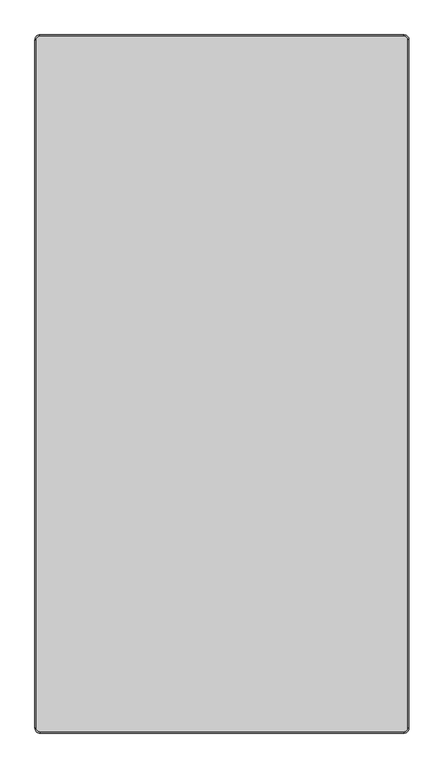
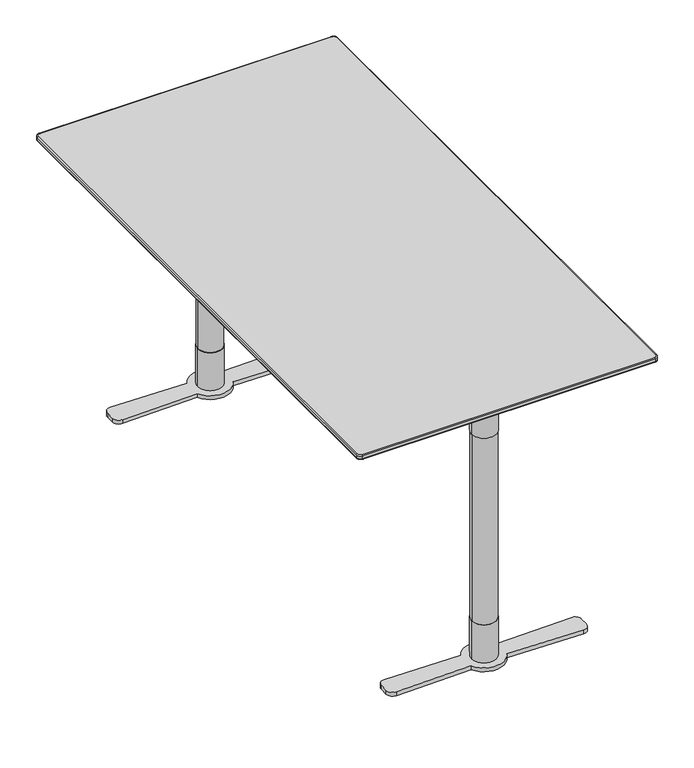
"""IFC4 building model written with IfcOpenShell, lengths in millimetres: furniture geometry."""

from ifc_helpers import new_model, si_unit, point, frame, frame_2d, origin, origin_with_axes, place, context, project, spatial, polyline, circle_curve, ellipse_curve, trimmed, segment, composite_curve, outline, extrude, source, transform, mapped, element, save
from ifc_brep_helpers import plane_surface, cylinder_surface, revolved_surface, spline_surface, advanced_brep


def furniture_24dc942a(model_context):
    return source(origin(), model_context, "Body", "SolidModel", [
        advanced_brep(
        [(-365.0, -698.6840403, 718.2400004), (-365.0, -700.0, 720.1193857), (-375.0, -690.0, 720.1193857), (-373.6840403, -690.0, 718.2400004), (-365.0, -700.0, 728.0), (-365.0, -698.0, 730.0), (-373.0, -690.0, 730.0), (-375.0, -690.0, 728.0), (365.0, -698.6840403, 718.2400004), (365.0, -700.0, 720.1193857), (365.0, -700.0, 728.0), (365.0, -698.0, 730.0), (373.6840403, -690.0, 718.2400004), (375.0, -690.0, 720.1193857), (375.0, -690.0, 728.0), (373.0, -690.0, 730.0), (373.6840403, 690.0, 718.2400004), (375.0, 690.0, 720.1193857), (375.0, 690.0, 728.0), (373.0, 690.0, 730.0), (365.0, 698.6840403, 718.2400004), (365.0, 700.0, 720.1193857), (365.0, 700.0, 728.0), (365.0, 698.0, 730.0), (-365.0, 698.6840403, 718.2400004), (-365.0, 700.0, 720.1193857), (-365.0, 700.0, 728.0), (-365.0, 698.0, 730.0), (-373.6840403, 690.0, 718.2400004), (-375.0, 690.0, 720.1193857), (-375.0, 690.0, 728.0), (-373.0, 690.0, 730.0)],
        [
            (0, 1, circle_curve(frame((-365.0, -698.0, 720.1193857), z_axis=(-1.0, 0.0, 0.0), x_axis=(0.0, 1.0, 0.0)), 2.0)),
            (1, 2, circle_curve(frame((-365.0, -690.0, 720.1193857), z_axis=(0.0, 0.0, -1.0), x_axis=(-1.0, 0.0, 0.0)), 10.0)),
            (2, 3, circle_curve(frame((-373.0, -690.0, 720.1193857), z_axis=(0.0, -1.0, 0.0), x_axis=(1.0, 0.0, 0.0)), 2.0)),
            (3, 0, circle_curve(frame((-365.0, -690.0, 718.2400004), z_axis=(0.0, 0.0, 1.0), x_axis=(-1.0, 0.0, 0.0)), 8.6840403)),
            (4, 5, circle_curve(frame((-365.0, -698.0, 728.0), z_axis=(-1.0, 0.0, 0.0), x_axis=(0.0, 1.0, 0.0)), 2.0)),
            (5, 6, circle_curve(frame((-365.0, -690.0, 730.0), z_axis=(0.0, 0.0, -1.0), x_axis=(-1.0, 0.0, 0.0)), 8.0)),
            (6, 7, circle_curve(frame((-373.0, -690.0, 728.0), z_axis=(0.0, -1.0, 0.0), x_axis=(1.0, 0.0, 0.0)), 2.0)),
            (7, 4, circle_curve(frame((-365.0, -690.0, 728.0), z_axis=(0.0, 0.0, 1.0), x_axis=(-1.0, 0.0, 0.0)), 10.0)),
            (0, 8),
            (8, 9, circle_curve(frame((365.0, -698.0, 720.1193857), z_axis=(-1.0, 0.0, 0.0), x_axis=(0.0, 1.0, 0.0)), 2.0)),
            (9, 1),
            (4, 10),
            (10, 11, circle_curve(frame((365.0, -698.0, 728.0), z_axis=(-1.0, 0.0, 0.0), x_axis=(0.0, 1.0, 0.0)), 2.0)),
            (11, 5),
            (8, 12, circle_curve(frame((365.0, -690.0, 718.2400004), z_axis=(0.0, 0.0, 1.0), x_axis=(0.0, -1.0, 0.0)), 8.6840403)),
            (12, 13, circle_curve(frame((373.0, -690.0, 720.1193857), z_axis=(0.0, -1.0, 0.0), x_axis=(-1.0, 0.0, 0.0)), 2.0)),
            (13, 9, circle_curve(frame((365.0, -690.0, 720.1193857), z_axis=(0.0, 0.0, -1.0), x_axis=(0.0, -1.0, 0.0)), 10.0)),
            (10, 14, circle_curve(frame((365.0, -690.0, 728.0), z_axis=(0.0, 0.0, 1.0), x_axis=(0.0, -1.0, 0.0)), 10.0)),
            (14, 15, circle_curve(frame((373.0, -690.0, 728.0), z_axis=(0.0, -1.0, 0.0), x_axis=(-1.0, 0.0, 0.0)), 2.0)),
            (15, 11, circle_curve(frame((365.0, -690.0, 730.0), z_axis=(0.0, 0.0, -1.0), x_axis=(0.0, -1.0, 0.0)), 8.0)),
            (12, 16),
            (16, 17, circle_curve(frame((373.0, 690.0, 720.1193857), z_axis=(0.0, -1.0, 0.0), x_axis=(-1.0, 0.0, 0.0)), 2.0)),
            (17, 13),
            (14, 18),
            (18, 19, circle_curve(frame((373.0, 690.0, 728.0), z_axis=(0.0, -1.0, 0.0), x_axis=(-1.0, 0.0, 0.0)), 2.0)),
            (19, 15),
            (16, 20, circle_curve(frame((365.0, 690.0, 718.2400004), z_axis=(0.0, 0.0, 1.0), x_axis=(1.0, 0.0, 0.0)), 8.6840403)),
            (20, 21, circle_curve(frame((365.0, 698.0, 720.1193857), z_axis=(1.0, 0.0, 0.0), x_axis=(0.0, -1.0, 0.0)), 2.0)),
            (21, 17, circle_curve(frame((365.0, 690.0, 720.1193857), z_axis=(0.0, 0.0, -1.0), x_axis=(1.0, 0.0, 0.0)), 10.0)),
            (18, 22, circle_curve(frame((365.0, 690.0, 728.0), z_axis=(0.0, 0.0, 1.0), x_axis=(1.0, 0.0, 0.0)), 10.0)),
            (22, 23, circle_curve(frame((365.0, 698.0, 728.0), z_axis=(1.0, 0.0, 0.0), x_axis=(0.0, -1.0, 0.0)), 2.0)),
            (23, 19, circle_curve(frame((365.0, 690.0, 730.0), z_axis=(0.0, 0.0, -1.0), x_axis=(1.0, 0.0, 0.0)), 8.0)),
            (20, 24),
            (24, 25, circle_curve(frame((-365.0, 698.0, 720.1193857), z_axis=(1.0, 0.0, 0.0), x_axis=(0.0, -1.0, 0.0)), 2.0)),
            (25, 21),
            (22, 26),
            (26, 27, circle_curve(frame((-365.0, 698.0, 728.0), z_axis=(1.0, 0.0, 0.0), x_axis=(0.0, -1.0, 0.0)), 2.0)),
            (27, 23),
            (24, 28, circle_curve(frame((-365.0, 690.0, 718.2400004), z_axis=(0.0, 0.0, 1.0), x_axis=(0.0, 1.0, 0.0)), 8.6840403)),
            (28, 29, circle_curve(frame((-373.0, 690.0, 720.1193857), z_axis=(0.0, 1.0, 0.0), x_axis=(1.0, 0.0, 0.0)), 2.0)),
            (29, 25, circle_curve(frame((-365.0, 690.0, 720.1193857), z_axis=(0.0, 0.0, -1.0), x_axis=(0.0, 1.0, 0.0)), 10.0)),
            (26, 30, circle_curve(frame((-365.0, 690.0, 728.0), z_axis=(0.0, 0.0, 1.0), x_axis=(0.0, 1.0, 0.0)), 10.0)),
            (30, 31, circle_curve(frame((-373.0, 690.0, 728.0), z_axis=(0.0, 1.0, 0.0), x_axis=(1.0, 0.0, 0.0)), 2.0)),
            (31, 27, circle_curve(frame((-365.0, 690.0, 730.0), z_axis=(0.0, 0.0, -1.0), x_axis=(0.0, 1.0, 0.0)), 8.0)),
            (2, 29),
            (28, 3),
            (6, 31),
            (30, 7),
            (22, 21),
            (25, 26),
            (30, 29),
            (2, 7),
            (4, 1),
            (9, 10),
            (14, 13),
            (17, 18),
        ],
        [
            revolved_surface(trimmed(ellipse_curve(frame((-373.0, -690.0, 720.1193857), z_axis=(0.0, 1.0, 0.0), x_axis=(1.0, 0.0, 0.0)), 2.0, 2.0), [point((-373.6840403, -690.0, 718.2400004))], [point((-375.0, -690.0, 720.1193857))], True, "CARTESIAN"), (-365.0, -690.0, 0.0), (0.0, 0.0, 1.0)),
            revolved_surface(trimmed(ellipse_curve(frame((-373.0, -690.0, 728.0), z_axis=(0.0, 1.0, 0.0), x_axis=(1.0, 0.0, 0.0)), 2.0, 2.0), [point((-375.0, -690.0, 728.0))], [point((-373.0, -690.0, 730.0))], True, "CARTESIAN"), (-365.0, -690.0, 0.0), (0.0, 0.0, 1.0)),
            cylinder_surface(frame((-365.0, -698.0, 720.1193857), z_axis=(1.0, 0.0, 0.0), x_axis=(0.0, 1.0, 0.0)), 2.0),
            cylinder_surface(frame((-365.0, -698.0, 728.0), z_axis=(1.0, 0.0, 0.0), x_axis=(0.0, 1.0, 0.0)), 2.0),
            revolved_surface(trimmed(ellipse_curve(frame((365.0, -698.0, 720.1193857), z_axis=(-1.0, 0.0, 0.0), x_axis=(0.0, 1.0, 0.0)), 2.0, 2.0), [point((365.0, -698.6840403, 718.2400004))], [point((365.0, -700.0, 720.1193857))], True, "CARTESIAN"), (365.0, -690.0, 0.0), (0.0, 0.0, 1.0)),
            revolved_surface(trimmed(ellipse_curve(frame((365.0, -698.0, 728.0), z_axis=(-1.0, 0.0, 0.0), x_axis=(0.0, 1.0, 0.0)), 2.0, 2.0), [point((365.0, -700.0, 728.0))], [point((365.0, -698.0, 730.0))], True, "CARTESIAN"), (365.0, -690.0, 0.0), (0.0, 0.0, 1.0)),
            cylinder_surface(frame((373.0, -690.0, 720.1193857), z_axis=(0.0, 1.0, 0.0), x_axis=(-1.0, 0.0, 0.0)), 2.0),
            cylinder_surface(frame((373.0, -690.0, 728.0), z_axis=(0.0, 1.0, 0.0), x_axis=(-1.0, 0.0, 0.0)), 2.0),
            revolved_surface(trimmed(ellipse_curve(frame((373.0, 690.0, 720.1193857), z_axis=(0.0, -1.0, 0.0), x_axis=(-1.0, 0.0, 0.0)), 2.0, 2.0), [point((373.6840403, 690.0, 718.2400004))], [point((375.0, 690.0, 720.1193857))], True, "CARTESIAN"), (365.0, 690.0, 0.0), (0.0, 0.0, 1.0)),
            revolved_surface(trimmed(ellipse_curve(frame((373.0, 690.0, 728.0), z_axis=(0.0, -1.0, 0.0), x_axis=(-1.0, 0.0, 0.0)), 2.0, 2.0), [point((375.0, 690.0, 728.0))], [point((373.0, 690.0, 730.0))], True, "CARTESIAN"), (365.0, 690.0, 0.0), (0.0, 0.0, 1.0)),
            cylinder_surface(frame((365.0, 698.0, 720.1193857), z_axis=(-1.0, 0.0, 0.0), x_axis=(0.0, -1.0, 0.0)), 2.0),
            cylinder_surface(frame((365.0, 698.0, 728.0), z_axis=(-1.0, 0.0, 0.0), x_axis=(0.0, -1.0, 0.0)), 2.0),
            revolved_surface(trimmed(ellipse_curve(frame((-365.0, 698.0, 720.1193857), z_axis=(1.0, 0.0, 0.0), x_axis=(0.0, -1.0, 0.0)), 2.0, 2.0), [point((-365.0, 698.6840403, 718.2400004))], [point((-365.0, 700.0, 720.1193857))], True, "CARTESIAN"), (-365.0, 690.0, 0.0), (0.0, 0.0, 1.0)),
            revolved_surface(trimmed(ellipse_curve(frame((-365.0, 698.0, 728.0), z_axis=(1.0, 0.0, 0.0), x_axis=(0.0, -1.0, 0.0)), 2.0, 2.0), [point((-365.0, 700.0, 728.0))], [point((-365.0, 698.0, 730.0))], True, "CARTESIAN"), (-365.0, 690.0, 0.0), (0.0, 0.0, 1.0)),
            cylinder_surface(frame((-373.0, 690.0, 720.1193857), z_axis=(0.0, -1.0, 0.0), x_axis=(1.0, 0.0, 0.0)), 2.0),
            cylinder_surface(frame((-373.0, 690.0, 728.0), z_axis=(0.0, -1.0, 0.0), x_axis=(1.0, 0.0, 0.0)), 2.0),
            plane_surface(frame((-305.0, 700.0, 730.0), z_axis=(0.0, 0.0, 1.0), x_axis=(-1.0, 0.0, 0.0))),
            plane_surface(frame((-305.0, 700.0, 718.2400004), z_axis=(0.0, 0.0, -1.0), x_axis=(1.0, 0.0, 0.0))),
            plane_surface(frame((365.0, 700.0, 730.0), z_axis=(0.0, 1.0, 0.0), x_axis=(0.0, 0.0, -1.0))),
            plane_surface(frame((-375.0, 690.0, 730.0), z_axis=(-1.0, 0.0, 0.0), x_axis=(0.0, 0.0, -1.0))),
            plane_surface(frame((-365.0, -700.0, 730.0), z_axis=(0.0, -1.0, 0.0), x_axis=(0.0, 0.0, -1.0))),
            plane_surface(frame((375.0, -690.0, 730.0), z_axis=(1.0, 0.0, 0.0), x_axis=(0.0, 0.0, -1.0))),
            cylinder_surface(frame((-365.0, 690.0, 718.2400004), z_axis=(0.0, 0.0, 1.0), x_axis=(1.0, 0.0, 0.0)), 10.0),
            cylinder_surface(frame((-365.0, -690.0, 718.2400004), z_axis=(0.0, 0.0, 1.0), x_axis=(1.0, 0.0, 0.0)), 10.0),
            cylinder_surface(frame((365.0, -690.0, 718.2400004), z_axis=(0.0, 0.0, 1.0), x_axis=(1.0, 0.0, 0.0)), 10.0),
            cylinder_surface(frame((365.0, 690.0, 718.2400004), z_axis=(0.0, 0.0, 1.0), x_axis=(1.0, 0.0, 0.0)), 10.0),
        ],
        [
            (0, [[1, 2, 3, 4]]),
            (1, [[5, 6, 7, 8]]),
            (2, [[-1, 9, 10, 11]]),
            (3, [[-5, 12, 13, 14]]),
            (4, [[-10, 15, 16, 17]]),
            (5, [[-13, 18, 19, 20]]),
            (6, [[-16, 21, 22, 23]]),
            (7, [[-19, 24, 25, 26]]),
            (8, [[-22, 27, 28, 29]]),
            (9, [[-25, 30, 31, 32]]),
            (10, [[-28, 33, 34, 35]]),
            (11, [[-31, 36, 37, 38]]),
            (12, [[-34, 39, 40, 41]]),
            (13, [[-37, 42, 43, 44]]),
            (14, [[-3, 45, -40, 46]]),
            (15, [[-7, 47, -43, 48]]),
            (16, [[-6, -14, -20, -26, -32, -38, -44, -47]]),
            (17, [[-4, -46, -39, -33, -27, -21, -15, -9]]),
            (18, [[49, -35, 50, -36]]),
            (19, [[51, -45, 52, -48]]),
            (20, [[53, -11, 54, -12]]),
            (21, [[55, -23, 56, -24]]),
            (22, [[-51, -42, -50, -41]]),
            (23, [[-53, -8, -52, -2]]),
            (24, [[-55, -18, -54, -17]]),
            (25, [[-49, -30, -56, -29]]),
        ],
    ),
        extrude(outline(composite_curve([segment(polyline([(-592.1006543, 642.9632916), (-592.1006543, 702.7932592), (-462.0000045, 702.7932592), (-462.0000045, 696.6995396)]), True, "CONTINUOUS"), segment(trimmed(circle_curve(frame_2d((-471.0000045, 696.6995396)), 9.0), [point((-462.0000045, 696.6995396))], [point((-467.9169166, 688.2440935))], False, "CARTESIAN"), True, "CONTINUOUS"), segment(polyline([(-467.9169166, 688.2440935), (-592.1006543, 642.9632916)]), True, "CONTINUOUS")], self_intersect=False)), frame((-2.5512191, 0.0, 0.0), z_axis=(1.0, 0.0, 0.0), x_axis=(0.0, 1.0, 0.0)), (0.0, 0.0, 1.0), 5.1024383),
        extrude(outline(polyline([(175.0000945, -639.2976854), (-175.0000945, -639.2976854), (-175.0000945, -417.041139), (175.0000945, -417.041139), (175.0000945, -639.2976854)])), frame((0.0, 0.0, 702.7932592), z_axis=(0.0, 0.0, 1.0), x_axis=(1.0, 0.0, 0.0)), (0.0, 0.0, 1.0), 5.0000027),
        extrude(outline(composite_curve([segment(trimmed(circle_curve(frame_2d((0.0, -592.1010023)), 31.0), [point((-31.0, -592.1010023))], [point((31.0, -592.1010023))], False, "CARTESIAN"), True, "CONTINUOUS"), segment(trimmed(circle_curve(frame_2d((0.0, -592.1010023)), 31.0), [point((31.0, -592.1010023))], [point((-31.0, -592.1010023))], False, "CARTESIAN"), True, "CONTINUOUS")], self_intersect=False)), frame((0.0, 0.0, 602.7932663), z_axis=(0.0, 0.0, 1.0), x_axis=(1.0, 0.0, 0.0)), (0.0, 0.0, 1.0), 99.999993),
        extrude(outline(composite_curve([segment(trimmed(circle_curve(frame_2d((0.0, -592.1010023)), 30.0), [point((-30.0, -592.1010023))], [point((30.0, -592.1010023))], False, "CARTESIAN"), True, "CONTINUOUS"), segment(trimmed(circle_curve(frame_2d((0.0, -592.1010023)), 30.0), [point((30.0, -592.1010023))], [point((-30.0, -592.1010023))], False, "CARTESIAN"), True, "CONTINUOUS")], self_intersect=False)), frame((0.0, 0.0, 110.0016526), z_axis=(0.0, 0.0, 1.0), x_axis=(1.0, 0.0, 0.0)), (0.0, 0.0, 1.0), 492.7916137),
        extrude(outline(composite_curve([segment(trimmed(circle_curve(frame_2d((0.0, -592.1010023)), 31.0), [point((-31.0, -592.1010023))], [point((31.0, -592.1010023))], False, "CARTESIAN"), True, "CONTINUOUS"), segment(trimmed(circle_curve(frame_2d((0.0, -592.1010023)), 31.0), [point((31.0, -592.1010023))], [point((-31.0, -592.1010023))], False, "CARTESIAN"), True, "CONTINUOUS")], self_intersect=False)), frame((0.0, 0.0, 10.0000044), z_axis=(0.0, 0.0, 1.0), x_axis=(1.0, 0.0, 0.0)), (0.0, 0.0, 1.0), 100.0016481),
        extrude(outline(composite_curve([segment(trimmed(circle_curve(frame_2d((-233.9319221, -602.6584625)), 16.0), [point((-233.5735334, -618.6544482))], [point((-249.9319221, -602.6584625))], False, "CARTESIAN"), True, "CONTINUOUS"), segment(polyline([(-249.9319221, -602.6584625), (-249.9319221, -581.3415191)]), True, "CONTINUOUS"), segment(trimmed(circle_curve(frame_2d((-233.9319221, -581.3415191)), 16.0), [point((-249.9319221, -581.3415191))], [point((-233.5735272, -565.3455336))], False, "CARTESIAN"), True, "CONTINUOUS"), segment(polyline([(-233.5735272, -565.3455336), (-44.690162, -569.5775224)]), True, "CONTINUOUS"), segment(trimmed(circle_curve(frame_2d((6.2e-06, -592.0008125)), 50.0001508), [point((-44.690162, -569.5775224))], [point((44.6901745, -569.5775224))], False, "CARTESIAN"), True, "CONTINUOUS"), segment(polyline([(44.6901745, -569.5775224), (233.6737057, -565.3455386)]), True, "CONTINUOUS"), segment(trimmed(circle_curve(frame_2d((234.0319103, -581.3415284)), 16.0), [point((233.6737057, -565.3455386))], [point((250.0319103, -581.3415284))], False, "CARTESIAN"), True, "CONTINUOUS"), segment(polyline([(250.0319103, -581.3415284), (250.0319103, -602.6584533)]), True, "CONTINUOUS"), segment(trimmed(circle_curve(frame_2d((234.0319103, -602.6584533)), 16.0), [point((250.0319103, -602.6584533))], [point((233.6737118, -618.6544432))], False, "CARTESIAN"), True, "CONTINUOUS"), segment(polyline([(233.6737118, -618.6544432), (44.6901745, -614.4225322)]), True, "CONTINUOUS"), segment(trimmed(circle_curve(frame_2d((6.2e-06, -592.0003263)), 49.9996645), [point((44.6901745, -614.4225322))], [point((-44.690162, -614.4225322))], False, "CARTESIAN"), True, "CONTINUOUS"), segment(polyline([(-44.690162, -614.4225322), (-233.5735334, -618.6544482)]), True, "CONTINUOUS")], self_intersect=False)), origin_with_axes(), (0.0, 0.0, 1.0), 10.0000044),
        extrude(outline(composite_curve([segment(polyline([(592.1006543, 642.9632916), (467.9169166, 688.2440935)]), True, "CONTINUOUS"), segment(trimmed(circle_curve(frame_2d((471.0000045, 696.6995396)), 9.0), [point((467.9169166, 688.2440935))], [point((462.0000045, 696.6995396))], False, "CARTESIAN"), True, "CONTINUOUS"), segment(polyline([(462.0000045, 696.6995396), (462.0000045, 702.7932592), (592.1006543, 702.7932592), (592.1006543, 642.9632916)]), True, "CONTINUOUS")], self_intersect=False)), frame((-2.5512191, 0.0, 0.0), z_axis=(1.0, 0.0, 0.0), x_axis=(0.0, 1.0, 0.0)), (0.0, 0.0, 1.0), 5.1024383),
        advanced_brep(
        [(365.0, 698.6840403, 718.2400004), (-365.0, 698.6840403, 718.2400004), (-373.6840403, 690.0, 718.2400004), (-373.6840403, -690.0, 718.2400004), (-365.0, -698.6840403, 718.2400004), (365.0, -698.6840403, 718.2400004), (373.6840403, -690.0, 718.2400004), (373.6840403, 690.0, 718.2400004), (337.030341, 670.0, 707.7932619), (345.0, 662.030341, 707.7932619), (345.0, -662.030341, 707.7932619), (337.030341, -670.0, 707.7932619), (-337.030341, -670.0, 707.7932619), (-345.0, -662.030341, 707.7932619), (-345.0, 662.030341, 707.7932619), (-337.030341, 670.0, 707.7932619)],
        [
            (0, 1),
            (1, 2, circle_curve(frame((-365.0, 690.0, 718.2400004), z_axis=(0.0, 0.0, 1.0), x_axis=(1.0, 0.0, 0.0)), 8.6840403)),
            (2, 3),
            (3, 4, circle_curve(frame((-365.0, -690.0, 718.2400004), z_axis=(0.0, 0.0, 1.0), x_axis=(1.0, 0.0, 0.0)), 8.6840403)),
            (4, 5),
            (5, 6, circle_curve(frame((365.0, -690.0, 718.2400004), z_axis=(0.0, 0.0, 1.0), x_axis=(1.0, 0.0, 0.0)), 8.6840403)),
            (6, 7),
            (7, 0, circle_curve(frame((365.0, 690.0, 718.2400004), z_axis=(0.0, 0.0, 1.0), x_axis=(1.0, 0.0, 0.0)), 8.6840403)),
            (8, 9, circle_curve(frame((337.030341, 662.030341, 707.7932619), z_axis=(0.0, 0.0, -1.0), x_axis=(1.0, 0.0, 0.0)), 7.969659)),
            (9, 10),
            (10, 11, circle_curve(frame((337.030341, -662.030341, 707.7932619), z_axis=(0.0, 0.0, -1.0), x_axis=(1.0, 0.0, 0.0)), 7.969659)),
            (11, 12),
            (12, 13, circle_curve(frame((-337.030341, -662.030341, 707.7932619), z_axis=(0.0, 0.0, -1.0), x_axis=(1.0, 0.0, 0.0)), 7.969659)),
            (13, 14),
            (14, 15, circle_curve(frame((-337.030341, 662.030341, 707.7932619), z_axis=(0.0, 0.0, -1.0), x_axis=(1.0, 0.0, 0.0)), 7.969659)),
            (15, 8),
            (15, 1),
            (0, 8),
            (14, 2),
            (13, 3),
            (12, 4),
            (11, 5),
            (10, 6),
            (9, 7),
        ],
        [
            plane_surface(frame((0.0, 0.0, 718.2400004), z_axis=(0.0, 0.0, 1.0), x_axis=(-1.0, 0.0, 0.0))),
            plane_surface(frame((0.0, 0.0, 707.7932619), z_axis=(0.0, 0.0, -1.0), x_axis=(-1.0, 0.0, 0.0))),
            plane_surface(frame((0.0, 670.0, 707.7932619), z_axis=(0.0, 0.34221109305817343, -0.9396230987943678), x_axis=(-1.0, 0.0, 0.0))),
            spline_surface(2, 1, [[(-337.030341, 670.0, 707.7932619), (-365.0, 698.6840403, 718.2400004)], [(-345.0, 670.0, 707.7932619), (-373.6840403, 698.6840403, 718.2400004)], [(-345.0, 662.030341, 707.7932619), (-373.6840403, 690.0, 718.2400004)]], [3, 3], [2, 2], [0.0, 1.0], [0.0, 1.0], weights=[[1.0, 1.0], [0.7071067811865476, 0.7071067811865476], [1.0, 1.0]]),
            plane_surface(frame((-345.0, 0.0, 707.7932619), z_axis=(-0.3422110930581856, 0.0, -0.9396230987943633), x_axis=(0.0, -1.0, 0.0))),
            spline_surface(2, 1, [[(-345.0, -662.030341, 707.7932619), (-373.6840403, -690.0, 718.2400004)], [(-345.0, -670.0, 707.7932619), (-373.6840403, -698.6840403, 718.2400004)], [(-337.030341, -670.0, 707.7932619), (-365.0, -698.6840403, 718.2400004)]], [3, 3], [2, 2], [0.0, 1.0], [0.0, 1.0], weights=[[1.0, 1.0], [0.7071067811865476, 0.7071067811865476], [1.0, 1.0]]),
            plane_surface(frame((0.0, -670.0, 707.7932619), z_axis=(0.0, -0.34221109305817343, -0.9396230987943678), x_axis=(1.0, 0.0, 0.0))),
            spline_surface(2, 1, [[(337.030341, -670.0, 707.7932619), (365.0, -698.6840403, 718.2400004)], [(345.0, -670.0, 707.7932619), (373.6840403, -698.6840403, 718.2400004)], [(345.0, -662.030341, 707.7932619), (373.6840403, -690.0, 718.2400004)]], [3, 3], [2, 2], [0.0, 1.0], [0.0, 1.0], weights=[[1.0, 1.0], [0.7071067811865476, 0.7071067811865476], [1.0, 1.0]]),
            plane_surface(frame((345.0, 0.0, 707.7932619), z_axis=(0.34221109305816205, 0.0, -0.939623098794372), x_axis=(0.0, 1.0, 0.0))),
            spline_surface(2, 1, [[(345.0, 662.030341, 707.7932619), (373.6840403, 690.0, 718.2400004)], [(345.0, 670.0, 707.7932619), (373.6840403, 698.6840403, 718.2400004)], [(337.030341, 670.0, 707.7932619), (365.0, 698.6840403, 718.2400004)]], [3, 3], [2, 2], [0.0, 1.0], [0.0, 1.0], weights=[[1.0, 1.0], [0.7071067811865476, 0.7071067811865476], [1.0, 1.0]]),
        ],
        [
            (0, [[1, 2, 3, 4, 5, 6, 7, 8]]),
            (1, [[9, 10, 11, 12, 13, 14, 15, 16]]),
            (2, [[-16, 17, -1, 18]]),
            (3, [[-15, 19, -2, -17]]),
            (4, [[-14, 20, -3, -19]]),
            (5, [[-13, 21, -4, -20]]),
            (6, [[-12, 22, -5, -21]]),
            (7, [[-11, 23, -6, -22]]),
            (8, [[-10, 24, -7, -23]]),
            (9, [[-9, -18, -8, -24]]),
        ],
    ),
        extrude(outline(polyline([(175.0000945, 639.2976854), (175.0000945, 417.041139), (-175.0000945, 417.041139), (-175.0000945, 639.2976854), (175.0000945, 639.2976854)])), frame((0.0, 0.0, 702.7932592), z_axis=(0.0, 0.0, 1.0), x_axis=(1.0, 0.0, 0.0)), (0.0, 0.0, 1.0), 5.0000027),
        extrude(outline(composite_curve([segment(trimmed(circle_curve(frame_2d((0.0, 592.1010023)), 31.0), [point((-31.0, 592.1010023))], [point((31.0, 592.1010023))], False, "CARTESIAN"), True, "CONTINUOUS"), segment(trimmed(circle_curve(frame_2d((0.0, 592.1010023)), 31.0), [point((31.0, 592.1010023))], [point((-31.0, 592.1010023))], False, "CARTESIAN"), True, "CONTINUOUS")], self_intersect=False)), frame((0.0, 0.0, 602.7932663), z_axis=(0.0, 0.0, 1.0), x_axis=(1.0, 0.0, 0.0)), (0.0, 0.0, 1.0), 99.999993),
        extrude(outline(composite_curve([segment(trimmed(circle_curve(frame_2d((0.0, 592.1010023)), 30.0), [point((-30.0, 592.1010023))], [point((30.0, 592.1010023))], False, "CARTESIAN"), True, "CONTINUOUS"), segment(trimmed(circle_curve(frame_2d((0.0, 592.1010023)), 30.0), [point((30.0, 592.1010023))], [point((-30.0, 592.1010023))], False, "CARTESIAN"), True, "CONTINUOUS")], self_intersect=False)), frame((0.0, 0.0, 110.0016526), z_axis=(0.0, 0.0, 1.0), x_axis=(1.0, 0.0, 0.0)), (0.0, 0.0, 1.0), 492.7916137),
        extrude(outline(composite_curve([segment(trimmed(circle_curve(frame_2d((0.0, 592.1010023)), 31.0), [point((-31.0, 592.1010023))], [point((31.0, 592.1010023))], False, "CARTESIAN"), True, "CONTINUOUS"), segment(trimmed(circle_curve(frame_2d((0.0, 592.1010023)), 31.0), [point((31.0, 592.1010023))], [point((-31.0, 592.1010023))], False, "CARTESIAN"), True, "CONTINUOUS")], self_intersect=False)), frame((0.0, 0.0, 10.0000044), z_axis=(0.0, 0.0, 1.0), x_axis=(1.0, 0.0, 0.0)), (0.0, 0.0, 1.0), 100.0016481),
        extrude(outline(composite_curve([segment(polyline([(-233.5735334, 618.6544482), (-44.690162, 614.4225322)]), True, "CONTINUOUS"), segment(trimmed(circle_curve(frame_2d((6.2e-06, 592.0003263)), 49.9996645), [point((-44.690162, 614.4225322))], [point((44.6901745, 614.4225322))], False, "CARTESIAN"), True, "CONTINUOUS"), segment(polyline([(44.6901745, 614.4225322), (233.6737118, 618.6544432)]), True, "CONTINUOUS"), segment(trimmed(circle_curve(frame_2d((234.0319103, 602.6584533)), 16.0), [point((233.6737118, 618.6544432))], [point((250.0319103, 602.6584533))], False, "CARTESIAN"), True, "CONTINUOUS"), segment(polyline([(250.0319103, 602.6584533), (250.0319103, 581.3415284)]), True, "CONTINUOUS"), segment(trimmed(circle_curve(frame_2d((234.0319103, 581.3415284)), 16.0), [point((250.0319103, 581.3415284))], [point((233.6737057, 565.3455386))], False, "CARTESIAN"), True, "CONTINUOUS"), segment(polyline([(233.6737057, 565.3455386), (44.6901745, 569.5775224)]), True, "CONTINUOUS"), segment(trimmed(circle_curve(frame_2d((6.2e-06, 592.0008125)), 50.0001508), [point((44.6901745, 569.5775224))], [point((-44.690162, 569.5775224))], False, "CARTESIAN"), True, "CONTINUOUS"), segment(polyline([(-44.690162, 569.5775224), (-233.5735272, 565.3455336)]), True, "CONTINUOUS"), segment(trimmed(circle_curve(frame_2d((-233.9319221, 581.3415191)), 16.0), [point((-233.5735272, 565.3455336))], [point((-249.9319221, 581.3415191))], False, "CARTESIAN"), True, "CONTINUOUS"), segment(polyline([(-249.9319221, 581.3415191), (-249.9319221, 602.6584625)]), True, "CONTINUOUS"), segment(trimmed(circle_curve(frame_2d((-233.9319221, 602.6584625)), 16.0), [point((-249.9319221, 602.6584625))], [point((-233.5735334, 618.6544482))], False, "CARTESIAN"), True, "CONTINUOUS")], self_intersect=False)), origin_with_axes(), (0.0, 0.0, 1.0), 10.0000044),
    ])


if __name__ == "__main__":
    model = new_model("IFC4")
    model_context = context("Model", 3, world=origin())
    ifc_project = project(units=[si_unit("LENGTHUNIT", "METRE", prefix="MILLI")], contexts=[model_context])
    site = spatial("IfcSite", under=ifc_project)
    building = spatial("IfcBuilding", under=site)
    placement = place(None, origin())
    furniture_shape = furniture_24dc942a(model_context)
    element("IfcFurniture", 1, at=placement, inside=building, context=model_context, shape_type="MappedRepresentation", body=[
        mapped(furniture_shape, transform((0.0, 0.0, 0.0), x_axis=(1.0, 0.0, 0.0), y_axis=(0.0, 1.0, 0.0), z_axis=(0.0, 0.0, 1.0))),
    ])
    save(model, "model.ifc")
